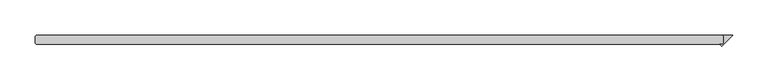
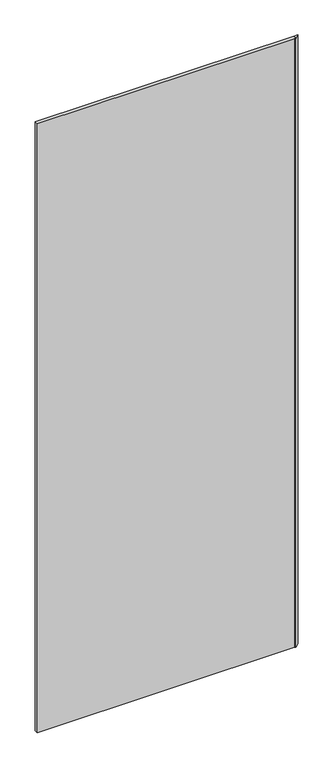
"""IFC4 building model written with IfcOpenShell, lengths in millimetres: plate geometry."""

from ifc_helpers import new_model, si_unit, origin, origin_with_axes, place, context, project, spatial, polyline, outline, extrude, source, transform, mapped, element, save


def plate_45b43b17(model_context):
    return source(origin(), model_context, "Body", "SweptSolid", [
        extrude(outline(polyline([(499.665625, 34.925), (498.078125, 36.5125), (512.365625, 36.5125), (496.955593, 21.102468), (494.245561, 23.8125), (498.078125, 23.8125), (499.665625, 25.4), (499.665625, 34.925)])), origin_with_axes(), (0.0, 0.0, 1.0), 2417.075),
        extrude(outline(polyline([(498.078125, 36.5125), (499.665625, 34.925), (499.665625, 25.4), (498.078125, 23.8125), (-474.265625, 23.8125), (-475.853125, 25.4), (-475.853125, 34.925), (-474.265625, 36.5125), (498.078125, 36.5125)])), origin_with_axes(), (0.0, 0.0, 1.0), 2417.075),
    ])


if __name__ == "__main__":
    model = new_model("IFC4")
    model_context = context("Model", 3, world=origin())
    ifc_project = project(units=[si_unit("LENGTHUNIT", "METRE", prefix="MILLI")], contexts=[model_context])
    site = spatial("IfcSite", under=ifc_project)
    building = spatial("IfcBuilding", under=site)
    placement = place(None, origin())
    plate_shape = plate_45b43b17(model_context)
    element("IfcPlate", 1, at=placement, inside=building, context=model_context, shape_type="MappedRepresentation", body=[
        mapped(plate_shape, transform((0.0, 0.0, 0.0), x_axis=(1.0, 0.0, 0.0), y_axis=(0.0, 1.0, 0.0), z_axis=(0.0, 0.0, 1.0))),
    ])
    save(model, "model.ifc")
